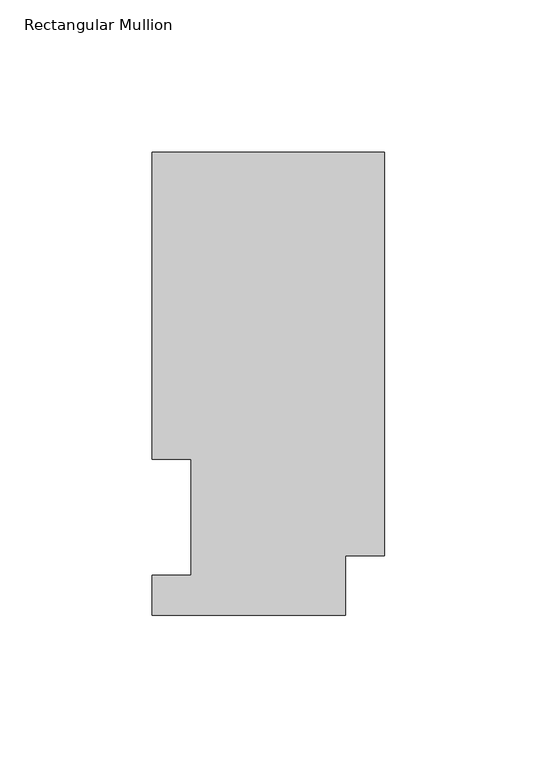
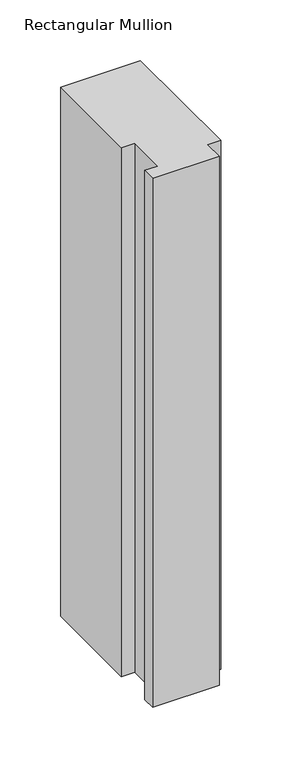
"""IFC4 building model written with IfcOpenShell, lengths in millimetres: member geometry, Rectangular Mullion."""

from ifc_helpers import new_model, si_unit, frame, origin, place, context, project, spatial, polyline, outline, extrude, source, transform, mapped, element, save


def rectangular_mullion_5b9b5835(model_context):
    return source(origin(), model_context, "Body", "SweptSolid", [
        extrude(outline(polyline([(0.0, 151.8147517), (0.0, 19.4553517), (-12.7, 19.4553517), (-12.7, -0.0772483), (-76.2, -0.0772483), (-76.2, 13.1053517), (-63.5127, 13.1053517), (-63.5127, 51.2053517), (-76.2, 51.2053517), (-76.2, 151.8147517), (0.0, 151.8147517)])), frame((0.0, 0.0, -533.4134938), z_axis=(0.0, 0.0, 1.0), x_axis=(1.0, 0.0, 0.0)), (0.0, 0.0, 1.0), 533.4134938),
    ])


if __name__ == "__main__":
    model = new_model("IFC4")
    model_context = context("Model", 3, world=origin())
    ifc_project = project(units=[si_unit("LENGTHUNIT", "METRE", prefix="MILLI")], contexts=[model_context])
    site = spatial("IfcSite", under=ifc_project)
    building = spatial("IfcBuilding", under=site)
    placement = place(None, origin())
    rectangular_mullion_shape = rectangular_mullion_5b9b5835(model_context)
    element("IfcMember", 1, ObjectType="Rectangular Mullion", at=placement, inside=building, context=model_context, shape_type="MappedRepresentation", body=[
        mapped(rectangular_mullion_shape, transform((0.0, 0.0, 0.0), x_axis=(1.0, 0.0, 0.0), y_axis=(0.0, 1.0, 0.0), z_axis=(0.0, 0.0, 1.0))),
    ])
    save(model, "model.ifc")
